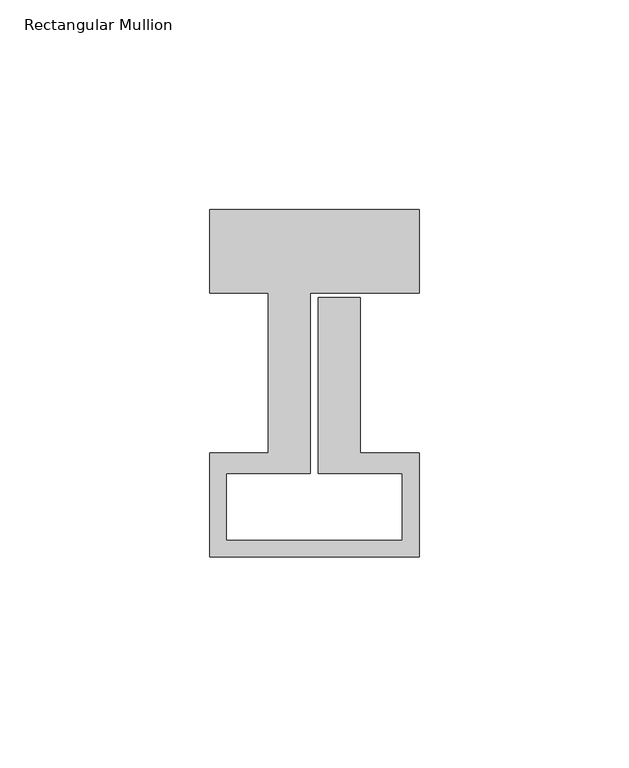
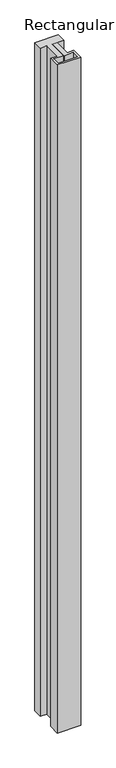
"""IFC4 building model written with IfcOpenShell, lengths in millimetres: member geometry, Rectangular Mullion."""

from ifc_helpers import new_model, si_unit, frame, origin, place, context, project, spatial, polyline, outline, extrude, source, transform, mapped, element, save


def rectangular_mullion_4c489e1a(model_context):
    return source(origin(), model_context, "Body", "SweptSolid", [
        extrude(outline(polyline([(-50.0, 58.0), (0.0, 58.0), (0.0, 38.0), (-26.0, 38.0), (-26.0, -5.0), (-46.0, -5.0), (-46.0, -21.0), (-4.0, -21.0), (-4.0, -5.0), (-24.0, -5.0), (-24.0, 37.0), (-14.0, 37.0), (-14.0, -0.1), (0.0, -0.1), (0.0, -25.0), (-50.0, -25.0), (-50.0, -0.1), (-36.0, -0.1), (-36.0, 38.0), (-50.0, 38.0), (-50.0, 58.0)])), frame((0.0, 0.0, -1510.0), z_axis=(0.0, 0.0, 1.0), x_axis=(1.0, 0.0, 0.0)), (0.0, 0.0, 1.0), 1510.0),
    ])


if __name__ == "__main__":
    model = new_model("IFC4")
    model_context = context("Model", 3, world=origin())
    ifc_project = project(units=[si_unit("LENGTHUNIT", "METRE", prefix="MILLI")], contexts=[model_context])
    site = spatial("IfcSite", under=ifc_project)
    building = spatial("IfcBuilding", under=site)
    placement = place(None, origin())
    rectangular_mullion_shape = rectangular_mullion_4c489e1a(model_context)
    element("IfcMember", 1, ObjectType="Rectangular Mullion", at=placement, inside=building, context=model_context, shape_type="MappedRepresentation", body=[
        mapped(rectangular_mullion_shape, transform((0.0, 0.0, 0.0), x_axis=(1.0, 0.0, 0.0), y_axis=(0.0, 1.0, 0.0), z_axis=(0.0, 0.0, 1.0))),
    ])
    save(model, "model.ifc")
